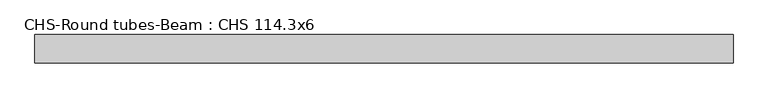
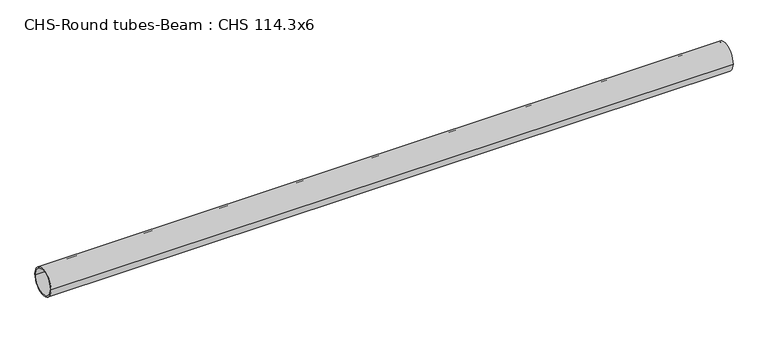
"""IFC4 building model written with IfcOpenShell, lengths in millimetres: beam geometry, CHS-Round tubes-Beam : CHS 114.3x6."""

import ifcopenshell
import ifcopenshell.guid

model = None  # the IFC model being written
_history = None  # IfcOwnerHistory: only IFC2X3 demands one
_inside = {}  # id of a spatial element -> (the spatial element, [elements in it])
_under = {}  # id of a project, library or spatial element -> (it, [spatial elements below it])
_declared = {}  # id of a project -> (the project, [libraries it declares])
_typed = {}  # id of a type object -> (the type object, [elements of that type])
_made_of = {}  # id of a material, layer set ... -> (it, [elements and type objects made of it])


def new_model(schema):
    """Start an empty IFC model of exactly this schema.

    Asked for "IFC4X3", IfcOpenShell would pick the latest addendum, in which some entities
    have other attributes; the version numbers below select the first issue.
    IFC2X3 requires an IfcOwnerHistory on every rooted entity: one is made here for all.
    """
    global model, _history
    if schema == "IFC4X3":
        model = ifcopenshell.file(schema_version=(4, 3, 0, 0))
    else:
        model = ifcopenshell.file(schema=schema)
    _inside.clear()
    _under.clear()
    _declared.clear()
    _typed.clear()
    _made_of.clear()
    _history = None
    if model.schema == "IFC2X3":
        org = make("IfcOrganization", Name="unknown")
        user = make(
            "IfcPersonAndOrganization",
            ThePerson=make("IfcPerson", FamilyName="unknown"),
            TheOrganization=org,
        )
        app = make(
            "IfcApplication",
            ApplicationDeveloper=org,
            Version="unknown",
            ApplicationFullName="unknown",
            ApplicationIdentifier="unknown",
        )
        _history = make(
            "IfcOwnerHistory",
            OwningUser=user,
            OwningApplication=app,
            ChangeAction="ADDED",
            CreationDate=0,
        )
    return model


def make(cls, **values):
    """One entity of the class cls with the attributes given. An attribute that is None is left unset."""
    return model.create_entity(
        cls, **{name: value for name, value in values.items() if value is not None}
    )


def rooted(cls, **values):
    """An entity with a GlobalId (a new one), such as an element, a storey or a relation."""
    return make(cls, GlobalId=ifcopenshell.guid.new(), OwnerHistory=_history, **values)


def si_unit(unit_type, name, prefix=None):
    """IfcSIUnit, for example si_unit("LENGTHUNIT", "METRE", prefix="MILLI")."""
    return make("IfcSIUnit", UnitType=unit_type, Prefix=prefix, Name=name)


def assignment(units):
    """IfcUnitAssignment: the units of a project."""
    return None if units is None else make("IfcUnitAssignment", Units=units)


def point(xyz):
    """IfcCartesianPoint."""
    return None if xyz is None else make("IfcCartesianPoint", Coordinates=xyz)


def direction(xyz):
    """IfcDirection."""
    return None if xyz is None else make("IfcDirection", DirectionRatios=xyz)


def frame(location, z_axis=None, x_axis=None):
    """IfcAxis2Placement3D, a coordinate frame: its origin and axes. An axis left out is left unset."""
    return make(
        "IfcAxis2Placement3D",
        Location=point(location),
        Axis=direction(z_axis),
        RefDirection=direction(x_axis),
    )


def frame_2d(location, x_axis=None):
    """IfcAxis2Placement2D, a coordinate frame in the plane: its origin and x axis."""
    return make(
        "IfcAxis2Placement2D", Location=point(location), RefDirection=direction(x_axis)
    )


def origin():
    """The frame at (0, 0, 0) with its axes left unset."""
    return frame((0.0, 0.0, 0.0))


def origin_2d():
    """The frame at (0, 0) in the plane with its x axis left unset."""
    return frame_2d((0.0, 0.0))


def place(relative_to, where):
    """IfcLocalPlacement: puts the frame where relative to a parent placement (None: the world)."""
    return make(
        "IfcLocalPlacement", PlacementRelTo=relative_to, RelativePlacement=where
    )


def context(
    kind, dimensions, precision=None, world=None, true_north=None, identifier=None
):
    """IfcGeometricRepresentationContext, for example the 3D "Model" context."""
    return make(
        "IfcGeometricRepresentationContext",
        ContextIdentifier=identifier,
        ContextType=kind,
        CoordinateSpaceDimension=dimensions,
        Precision=precision,
        WorldCoordinateSystem=world,
        TrueNorth=true_north,
    )


def project(units=None, contexts=None):
    """IfcProject with its units and contexts."""
    return rooted(
        "IfcProject",
        Name="project",
        RepresentationContexts=contexts,
        UnitsInContext=assignment(units),
    )


def spatial(cls, under=None, at=None, **own):
    """A site, building, storey or space (cls), placed at a placement, below another one or the project."""
    s = rooted(cls, ObjectPlacement=at, **own)
    if under is not None:
        _under.setdefault(under.id(), (under, []))[1].append(s)
    return s


def circle_curve(where, radius):
    """IfcCircle in the frame where."""
    return make("IfcCircle", Position=where, Radius=radius)


def trimmed(basis, trim1, trim2, sense, master):
    """IfcTrimmedCurve: the piece of a basis curve between two trims."""
    return make(
        "IfcTrimmedCurve",
        BasisCurve=basis,
        Trim1=trim1,
        Trim2=trim2,
        SenseAgreement=sense,
        MasterRepresentation=master,
    )


def segment(curve, same_sense, transition):
    """IfcCompositeCurveSegment."""
    return make(
        "IfcCompositeCurveSegment",
        Transition=transition,
        SameSense=same_sense,
        ParentCurve=curve,
    )


def composite_curve(segments, self_intersect=None):
    """IfcCompositeCurve: segments joined end to end."""
    return make("IfcCompositeCurve", Segments=segments, SelfIntersect=self_intersect)


def outline(outer, holes=None, kind="AREA"):
    """IfcArbitraryClosedProfileDef: a profile drawn as a closed curve; with holes, ...WithVoids."""
    if holes is None:
        return make("IfcArbitraryClosedProfileDef", ProfileType=kind, OuterCurve=outer)
    return make(
        "IfcArbitraryProfileDefWithVoids",
        ProfileType=kind,
        OuterCurve=outer,
        InnerCurves=holes,
    )


def extrude(swept, where, along, depth):
    """IfcExtrudedAreaSolid: the profile swept, set in the frame where, extruded along a direction by depth."""
    return make(
        "IfcExtrudedAreaSolid",
        SweptArea=swept,
        Position=where,
        ExtrudedDirection=direction(along),
        Depth=depth,
    )


def shape(context_of_items, identifier, shape_type, items):
    """IfcShapeRepresentation: the items that make up one representation, for example the "Body"."""
    return make(
        "IfcShapeRepresentation",
        ContextOfItems=context_of_items,
        RepresentationIdentifier=identifier,
        RepresentationType=shape_type,
        Items=items,
    )


def source(mapping_origin, context_of_items, identifier, shape_type, items):
    """IfcRepresentationMap: a shape defined once, which mapped items show again and again."""
    return make(
        "IfcRepresentationMap",
        MappingOrigin=mapping_origin,
        MappedRepresentation=shape(context_of_items, identifier, shape_type, items),
    )


def transform(
    local_origin,
    x_axis=None,
    y_axis=None,
    z_axis=None,
    scale=None,
    scale2=None,
    scale3=None,
    uniform=True,
):
    """IfcCartesianTransformationOperator3D, or its non-uniform kind. x_axis, y_axis, z_axis: its Axis1, 2, 3."""
    if uniform:
        return make(
            "IfcCartesianTransformationOperator3D",
            Axis1=direction(x_axis),
            Axis2=direction(y_axis),
            LocalOrigin=point(local_origin),
            Scale=scale,
            Axis3=direction(z_axis),
        )
    return make(
        "IfcCartesianTransformationOperator3DnonUniform",
        Axis1=direction(x_axis),
        Axis2=direction(y_axis),
        LocalOrigin=point(local_origin),
        Scale=scale,
        Axis3=direction(z_axis),
        Scale2=scale2,
        Scale3=scale3,
    )


def mapped(mapping_source, mapping_target):
    """IfcMappedItem: shows the shape of a source again, moved by a transform."""
    return make(
        "IfcMappedItem", MappingSource=mapping_source, MappingTarget=mapping_target
    )


def made_of(thing, what):
    """Note that an element or type object is made of a material, layer set ...; save() writes the relation."""
    if what is not None:
        _made_of.setdefault(what.id(), (what, []))[1].append(thing)
    return thing


def element(
    cls,
    number,
    at=None,
    inside=None,
    cuts=None,
    type_object=None,
    material=None,
    context=None,
    identifier="Body",
    shape_type=None,
    held_by="IfcProductDefinitionShape",
    body=None,
    shapes=None,
    **own,
):
    """One element of the class cls, such as IfcWall. Its Tag is "e" and its number.

    at: its placement. inside: the storey or other place that contains it. cuts: it is an
    opening in that element (IfcRelVoidsElement). A single representation is given by context,
    identifier, shape_type and body (its items); several are given by shapes. held_by: the class
    of the entity that holds the representations. save() writes the other relations.
    """
    e = rooted(cls, Tag="e%d" % number, ObjectPlacement=at, **own)
    if body is not None:
        shapes = [shape(context, identifier, shape_type, body)]
    if shapes is not None:
        e.Representation = make(held_by, Representations=shapes)
    if inside is not None:
        _inside.setdefault(inside.id(), (inside, []))[1].append(e)
    if cuts is not None:
        rooted(
            "IfcRelVoidsElement", RelatingBuildingElement=cuts, RelatedOpeningElement=e
        )
    if type_object is not None:
        _typed.setdefault(type_object.id(), (type_object, []))[1].append(e)
    return made_of(e, material)


def aggregate(whole, parts):
    """IfcRelAggregates: a whole, such as a stair, and the parts it consists of."""
    return rooted("IfcRelAggregates", RelatingObject=whole, RelatedObjects=parts)


def save(model, path):
    """Write the relations noted so far, then the file.

    IfcRelAggregates (storeys below a building ...), IfcRelContainedInSpatialStructure (elements
    in a storey), IfcRelDefinesByType, IfcRelAssociatesMaterial and IfcRelDeclares: one each for
    every whole, place, type object, material and project.
    """
    for whole, parts in _under.values():
        aggregate(whole, parts)
    for where, things in _inside.values():
        rooted(
            "IfcRelContainedInSpatialStructure",
            RelatedElements=things,
            RelatingStructure=where,
        )
    for kind, things in _typed.values():
        rooted("IfcRelDefinesByType", RelatedObjects=things, RelatingType=kind)
    for what, things in _made_of.values():
        rooted("IfcRelAssociatesMaterial", RelatedObjects=things, RelatingMaterial=what)
    for by, libraries in _declared.values():
        rooted("IfcRelDeclares", RelatingContext=by, RelatedDefinitions=libraries)
    model.write(path)


def chs_round_tubes_beam_chs_114_3x6_e47fae36(model_context):
    return source(origin(), model_context, "Body", "SweptSolid", [
        extrude(outline(composite_curve([segment(trimmed(circle_curve(origin_2d(), 57.15), [point((57.15, 0.0))], [point((-57.15, 0.0))], False, "CARTESIAN"), True, "CONTINUOUS"), segment(trimmed(circle_curve(origin_2d(), 57.15), [point((-57.15, 0.0))], [point((57.15, 0.0))], False, "CARTESIAN"), True, "CONTINUOUS")], self_intersect=False), holes=[composite_curve([segment(trimmed(circle_curve(origin_2d(), 51.15), [point((51.15, 0.0))], [point((-51.15, 0.0))], True, "CARTESIAN"), True, "CONTINUOUS"), segment(trimmed(circle_curve(origin_2d(), 51.15), [point((-51.15, 0.0))], [point((51.15, 0.0))], True, "CARTESIAN"), True, "CONTINUOUS")], self_intersect=False)]), frame((-1358.2865942, 0.0, 0.0), z_axis=(1.0, 0.0, 0.0), x_axis=(0.0, 1.0, 0.0)), (0.0, 0.0, 1.0), 2804.6474209),
    ])


if __name__ == "__main__":
    model = new_model("IFC4")
    model_context = context("Model", 3, world=origin())
    ifc_project = project(units=[si_unit("LENGTHUNIT", "METRE", prefix="MILLI")], contexts=[model_context])
    site = spatial("IfcSite", under=ifc_project)
    building = spatial("IfcBuilding", under=site)
    placement = place(None, origin())
    chs_round_tubes_beam_chs_114_3x6_shape = chs_round_tubes_beam_chs_114_3x6_e47fae36(model_context)
    element("IfcBeam", 1, ObjectType="CHS-Round tubes-Beam : CHS 114.3x6", at=placement, inside=building, context=model_context, shape_type="MappedRepresentation", body=[
        mapped(chs_round_tubes_beam_chs_114_3x6_shape, transform((0.0, 0.0, 0.0), x_axis=(1.0, 0.0, 0.0), y_axis=(0.0, 1.0, 0.0), z_axis=(0.0, 0.0, 1.0))),
    ])
    save(model, "model.ifc")
